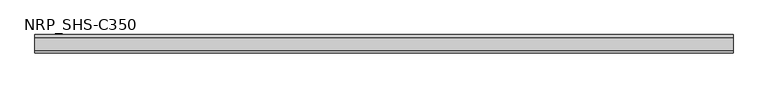
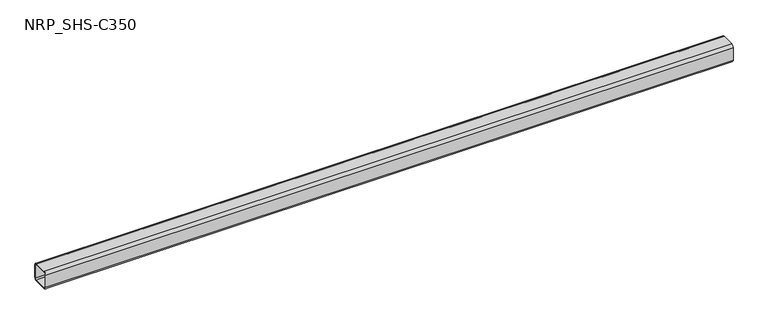
"""IFC4 building model written with IfcOpenShell, lengths in millimetres: member geometry, NRP_SHS-C350."""

from ifc_helpers import new_model, si_unit, point, frame, frame_2d, origin, place, context, project, spatial, polyline, circle_curve, trimmed, segment, composite_curve, outline, extrude, source, transform, mapped, element, save


def nrp_shs_c350_c75060c5(model_context):
    return source(origin(), model_context, "Body", "SweptSolid", [
        extrude(outline(composite_curve([segment(polyline([(44.5, 32.0), (44.5, -32.0)]), True, "CONTINUOUS"), segment(trimmed(circle_curve(frame_2d((32.0, -32.0)), 12.5), [point((44.5, -32.0))], [point((32.0, -44.5))], False, "CARTESIAN"), True, "CONTINUOUS"), segment(polyline([(32.0, -44.5), (-32.0, -44.5)]), True, "CONTINUOUS"), segment(trimmed(circle_curve(frame_2d((-32.0, -32.0)), 12.5), [point((-32.0, -44.5))], [point((-44.5, -32.0))], False, "CARTESIAN"), True, "CONTINUOUS"), segment(polyline([(-44.5, -32.0), (-44.5, 32.0)]), True, "CONTINUOUS"), segment(trimmed(circle_curve(frame_2d((-32.0, 32.0)), 12.5), [point((-44.5, 32.0))], [point((-32.0, 44.5))], False, "CARTESIAN"), True, "CONTINUOUS"), segment(polyline([(-32.0, 44.5), (32.0, 44.5)]), True, "CONTINUOUS"), segment(trimmed(circle_curve(frame_2d((32.0, 32.0)), 12.5), [point((32.0, 44.5))], [point((44.5, 32.0))], False, "CARTESIAN"), True, "CONTINUOUS")], self_intersect=False), holes=[composite_curve([segment(trimmed(circle_curve(frame_2d((-32.0, 32.0)), 7.5), [point((-32.0, 39.5))], [point((-39.5, 32.0))], True, "CARTESIAN"), True, "CONTINUOUS"), segment(polyline([(-39.5, 32.0), (-39.5, -32.0)]), True, "CONTINUOUS"), segment(trimmed(circle_curve(frame_2d((-32.0, -32.0)), 7.5), [point((-39.5, -32.0))], [point((-32.0, -39.5))], True, "CARTESIAN"), True, "CONTINUOUS"), segment(polyline([(-32.0, -39.5), (32.0, -39.5)]), True, "CONTINUOUS"), segment(trimmed(circle_curve(frame_2d((32.0, -32.0)), 7.5), [point((32.0, -39.5))], [point((39.5, -32.0))], True, "CARTESIAN"), True, "CONTINUOUS"), segment(polyline([(39.5, -32.0), (39.5, 32.0)]), True, "CONTINUOUS"), segment(trimmed(circle_curve(frame_2d((32.0, 32.0)), 7.5), [point((39.5, 32.0))], [point((32.0, 39.5))], True, "CARTESIAN"), True, "CONTINUOUS"), segment(polyline([(32.0, 39.5), (-32.0, 39.5)]), True, "CONTINUOUS")], self_intersect=False)]), frame((-1702.0, 0.0, 0.0), z_axis=(1.0, 0.0, 0.0), x_axis=(0.0, 1.0, 0.0)), (0.0, 0.0, 1.0), 3354.0),
    ])


if __name__ == "__main__":
    model = new_model("IFC4")
    model_context = context("Model", 3, world=origin())
    ifc_project = project(units=[si_unit("LENGTHUNIT", "METRE", prefix="MILLI")], contexts=[model_context])
    site = spatial("IfcSite", under=ifc_project)
    building = spatial("IfcBuilding", under=site)
    placement = place(None, origin())
    nrp_shs_c350_shape = nrp_shs_c350_c75060c5(model_context)
    element("IfcMember", 1, ObjectType="NRP_SHS-C350", at=placement, inside=building, context=model_context, shape_type="MappedRepresentation", body=[
        mapped(nrp_shs_c350_shape, transform((0.0, 0.0, 0.0), x_axis=(1.0, 0.0, 0.0), y_axis=(0.0, 1.0, 0.0), z_axis=(0.0, 0.0, 1.0))),
    ])
    save(model, "model.ifc")
